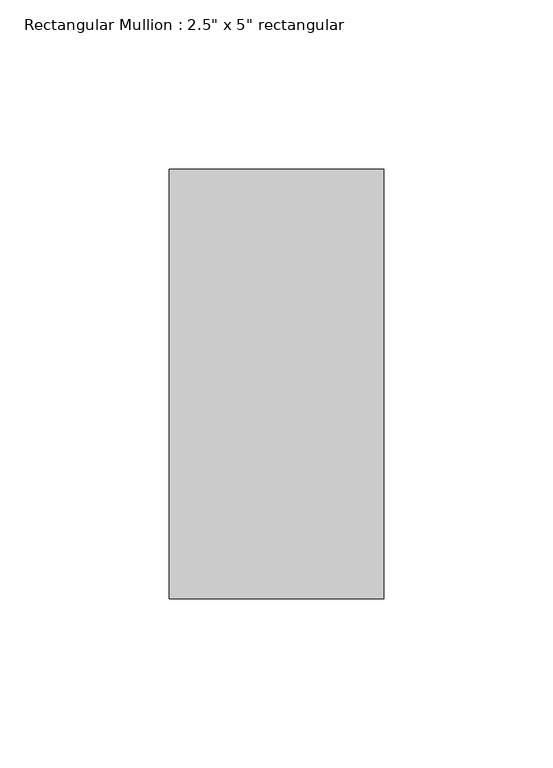
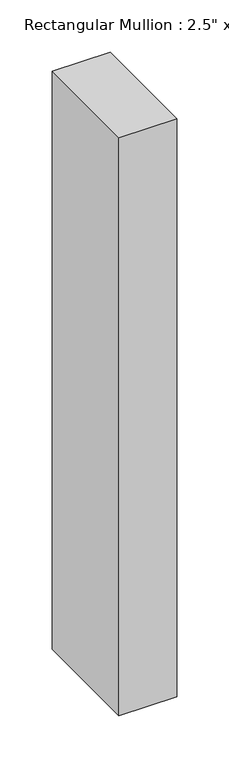
"""IFC4 building model written with IfcOpenShell, lengths in millimetres: member geometry."""

from ifc_helpers import new_model, si_unit, frame, origin, place, context, project, spatial, polyline, outline, extrude, source, transform, mapped, element, save


def member_d7f51af9(model_context):
    return source(origin(), model_context, "Body", "SweptSolid", [
        extrude(outline(polyline([(31.75, 63.5), (31.75, -63.5), (-31.75, -63.5), (-31.75, 63.5), (31.75, 63.5)])), frame((0.0, 0.0, -673.2986465), z_axis=(0.0, 0.0, 1.0), x_axis=(1.0, 0.0, 0.0)), (0.0, 0.0, 1.0), 673.2986465),
    ])


if __name__ == "__main__":
    model = new_model("IFC4")
    model_context = context("Model", 3, world=origin())
    ifc_project = project(units=[si_unit("LENGTHUNIT", "METRE", prefix="MILLI")], contexts=[model_context])
    site = spatial("IfcSite", under=ifc_project)
    building = spatial("IfcBuilding", under=site)
    placement = place(None, origin())
    member_shape = member_d7f51af9(model_context)
    element("IfcMember", 1, ObjectType="Rectangular Mullion : 2.5\" x 5\" rectangular", at=placement, inside=building, context=model_context, shape_type="MappedRepresentation", body=[
        mapped(member_shape, transform((0.0, 0.0, 0.0), x_axis=(1.0, 0.0, 0.0), y_axis=(0.0, 1.0, 0.0), z_axis=(0.0, 0.0, 1.0))),
    ])
    save(model, "model.ifc")
